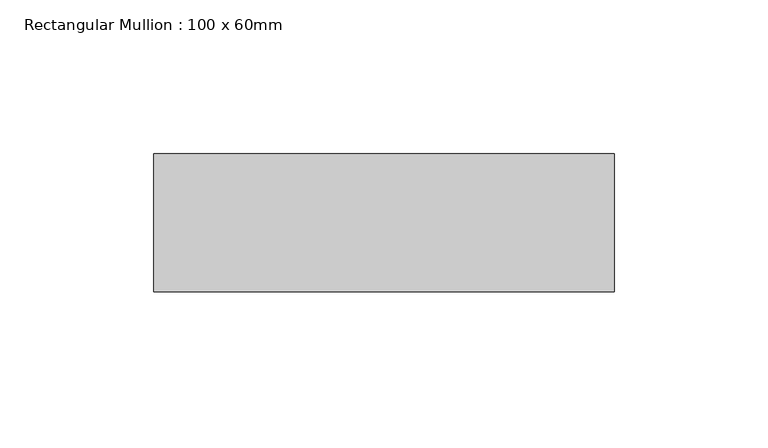
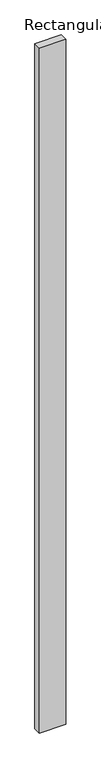
"""IFC4 building model written with IfcOpenShell, lengths in millimetres: member geometry, Rectangular Mullion : 100 x 60mm."""

from ifc_helpers import new_model, si_unit, frame, origin, place, context, project, spatial, polyline, outline, extrude, source, transform, mapped, element, save


def rectangular_mullion_100_x_60mm_d00b56e2(model_context):
    return source(origin(), model_context, "Body", "SweptSolid", [
        extrude(outline(polyline([(0.0, 30.0), (0.0, -15.0), (-150.0, -15.0), (-150.0, 30.0), (0.0, 30.0)])), frame((0.0, 0.0, -4114.5193704), z_axis=(0.0, 0.0, 1.0), x_axis=(1.0, 0.0, 0.0)), (0.0, 0.0, 1.0), 4114.5193704),
    ])


if __name__ == "__main__":
    model = new_model("IFC4")
    model_context = context("Model", 3, world=origin())
    ifc_project = project(units=[si_unit("LENGTHUNIT", "METRE", prefix="MILLI")], contexts=[model_context])
    site = spatial("IfcSite", under=ifc_project)
    building = spatial("IfcBuilding", under=site)
    placement = place(None, origin())
    rectangular_mullion_100_x_60mm_shape = rectangular_mullion_100_x_60mm_d00b56e2(model_context)
    element("IfcMember", 1, ObjectType="Rectangular Mullion : 100 x 60mm", at=placement, inside=building, context=model_context, shape_type="MappedRepresentation", body=[
        mapped(rectangular_mullion_100_x_60mm_shape, transform((0.0, 0.0, 0.0), x_axis=(1.0, 0.0, 0.0), y_axis=(0.0, 1.0, 0.0), z_axis=(0.0, 0.0, 1.0))),
    ])
    save(model, "model.ifc")
